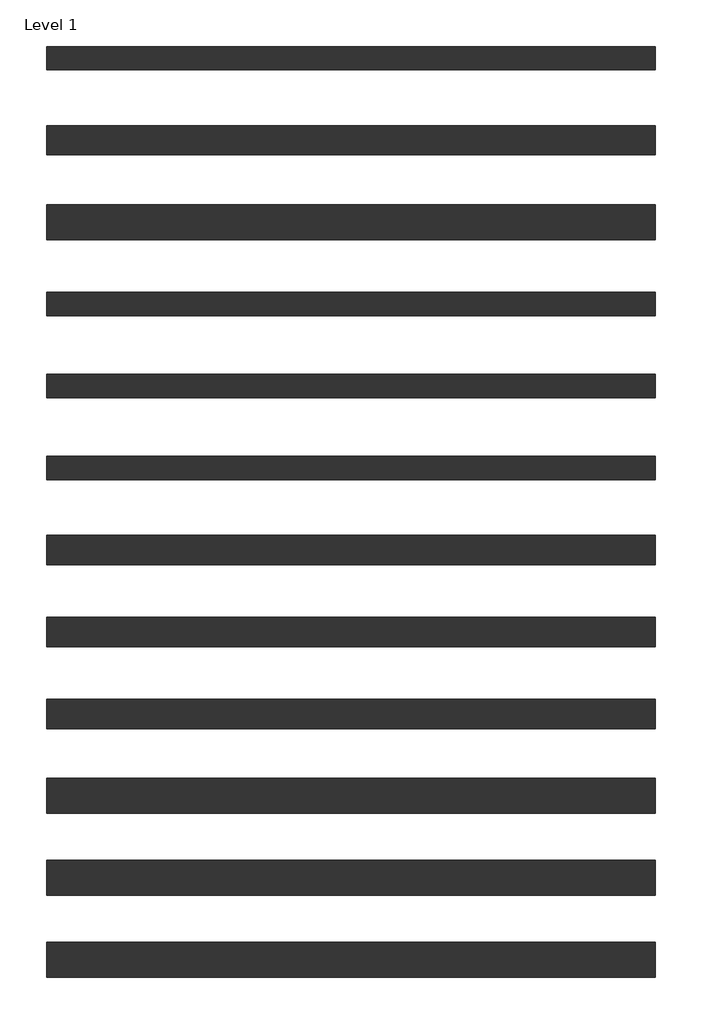
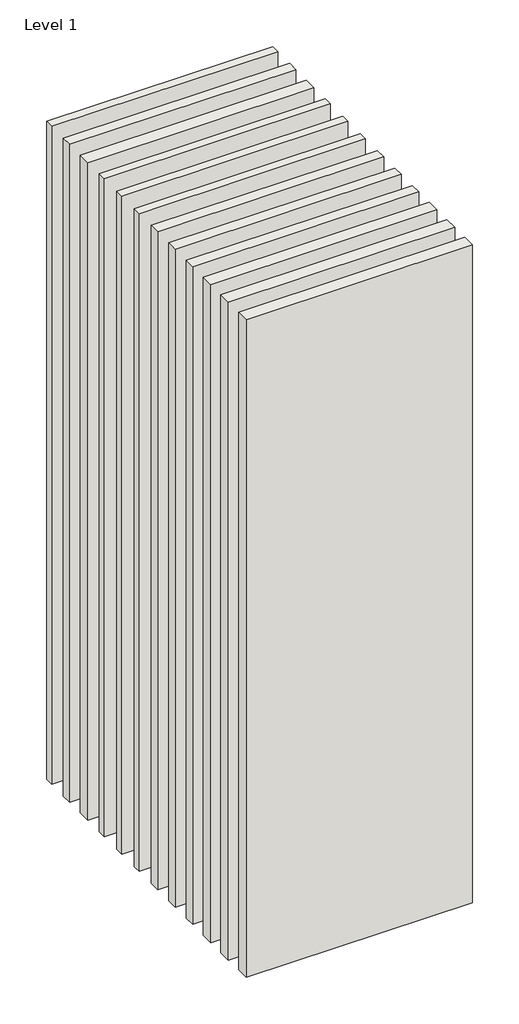
# One storey: 12 walls.
"""IFC4 building model written with IfcOpenShell, lengths in millimetres."""

import ifcopenshell
import ifcopenshell.guid

model = None  # the IFC model being written
_history = None  # IfcOwnerHistory: only IFC2X3 demands one
_inside = {}  # id of a spatial element -> (the spatial element, [elements in it])
_under = {}  # id of a project, library or spatial element -> (it, [spatial elements below it])
_declared = {}  # id of a project -> (the project, [libraries it declares])
_typed = {}  # id of a type object -> (the type object, [elements of that type])
_made_of = {}  # id of a material, layer set ... -> (it, [elements and type objects made of it])


def new_model(schema):
    """Start an empty IFC model of exactly this schema.

    Asked for "IFC4X3", IfcOpenShell would pick the latest addendum, in which some entities
    have other attributes; the version numbers below select the first issue.
    IFC2X3 requires an IfcOwnerHistory on every rooted entity: one is made here for all.
    """
    global model, _history
    if schema == "IFC4X3":
        model = ifcopenshell.file(schema_version=(4, 3, 0, 0))
    else:
        model = ifcopenshell.file(schema=schema)
    _inside.clear()
    _under.clear()
    _declared.clear()
    _typed.clear()
    _made_of.clear()
    _history = None
    if model.schema == "IFC2X3":
        org = make("IfcOrganization", Name="unknown")
        user = make(
            "IfcPersonAndOrganization",
            ThePerson=make("IfcPerson", FamilyName="unknown"),
            TheOrganization=org,
        )
        app = make(
            "IfcApplication",
            ApplicationDeveloper=org,
            Version="unknown",
            ApplicationFullName="unknown",
            ApplicationIdentifier="unknown",
        )
        _history = make(
            "IfcOwnerHistory",
            OwningUser=user,
            OwningApplication=app,
            ChangeAction="ADDED",
            CreationDate=0,
        )
    return model


def make(cls, **values):
    """One entity of the class cls with the attributes given. An attribute that is None is left unset."""
    return model.create_entity(
        cls, **{name: value for name, value in values.items() if value is not None}
    )


def rooted(cls, **values):
    """An entity with a GlobalId (a new one), such as an element, a storey or a relation."""
    return make(cls, GlobalId=ifcopenshell.guid.new(), OwnerHistory=_history, **values)


def si_unit(unit_type, name, prefix=None):
    """IfcSIUnit, for example si_unit("LENGTHUNIT", "METRE", prefix="MILLI")."""
    return make("IfcSIUnit", UnitType=unit_type, Prefix=prefix, Name=name)


def assignment(units):
    """IfcUnitAssignment: the units of a project."""
    return None if units is None else make("IfcUnitAssignment", Units=units)


def point(xyz):
    """IfcCartesianPoint."""
    return None if xyz is None else make("IfcCartesianPoint", Coordinates=xyz)


def direction(xyz):
    """IfcDirection."""
    return None if xyz is None else make("IfcDirection", DirectionRatios=xyz)


def frame(location, z_axis=None, x_axis=None):
    """IfcAxis2Placement3D, a coordinate frame: its origin and axes. An axis left out is left unset."""
    return make(
        "IfcAxis2Placement3D",
        Location=point(location),
        Axis=direction(z_axis),
        RefDirection=direction(x_axis),
    )


def origin():
    """The frame at (0, 0, 0) with its axes left unset."""
    return frame((0.0, 0.0, 0.0))


def origin_with_axes():
    """The frame at (0, 0, 0) with the z axis (0, 0, 1) and the x axis (1, 0, 0) written out."""
    return frame((0.0, 0.0, 0.0), z_axis=(0.0, 0.0, 1.0), x_axis=(1.0, 0.0, 0.0))


def place(relative_to, where):
    """IfcLocalPlacement: puts the frame where relative to a parent placement (None: the world)."""
    return make(
        "IfcLocalPlacement", PlacementRelTo=relative_to, RelativePlacement=where
    )


def context(
    kind, dimensions, precision=None, world=None, true_north=None, identifier=None
):
    """IfcGeometricRepresentationContext, for example the 3D "Model" context."""
    return make(
        "IfcGeometricRepresentationContext",
        ContextIdentifier=identifier,
        ContextType=kind,
        CoordinateSpaceDimension=dimensions,
        Precision=precision,
        WorldCoordinateSystem=world,
        TrueNorth=true_north,
    )


def project(units=None, contexts=None):
    """IfcProject with its units and contexts."""
    return rooted(
        "IfcProject",
        Name="project",
        RepresentationContexts=contexts,
        UnitsInContext=assignment(units),
    )


def spatial(cls, under=None, at=None, **own):
    """A site, building, storey or space (cls), placed at a placement, below another one or the project."""
    s = rooted(cls, ObjectPlacement=at, **own)
    if under is not None:
        _under.setdefault(under.id(), (under, []))[1].append(s)
    return s


def polyline(points):
    """IfcPolyline through the points."""
    return make("IfcPolyline", Points=[point(p) for p in points])


def outline(outer, holes=None, kind="AREA"):
    """IfcArbitraryClosedProfileDef: a profile drawn as a closed curve; with holes, ...WithVoids."""
    if holes is None:
        return make("IfcArbitraryClosedProfileDef", ProfileType=kind, OuterCurve=outer)
    return make(
        "IfcArbitraryProfileDefWithVoids",
        ProfileType=kind,
        OuterCurve=outer,
        InnerCurves=holes,
    )


def extrude(swept, where, along, depth):
    """IfcExtrudedAreaSolid: the profile swept, set in the frame where, extruded along a direction by depth."""
    return make(
        "IfcExtrudedAreaSolid",
        SweptArea=swept,
        Position=where,
        ExtrudedDirection=direction(along),
        Depth=depth,
    )


def shape(context_of_items, identifier, shape_type, items):
    """IfcShapeRepresentation: the items that make up one representation, for example the "Body"."""
    return make(
        "IfcShapeRepresentation",
        ContextOfItems=context_of_items,
        RepresentationIdentifier=identifier,
        RepresentationType=shape_type,
        Items=items,
    )


def made_of(thing, what):
    """Note that an element or type object is made of a material, layer set ...; save() writes the relation."""
    if what is not None:
        _made_of.setdefault(what.id(), (what, []))[1].append(thing)
    return thing


def element(
    cls,
    number,
    at=None,
    inside=None,
    cuts=None,
    type_object=None,
    material=None,
    context=None,
    identifier="Body",
    shape_type=None,
    held_by="IfcProductDefinitionShape",
    body=None,
    shapes=None,
    **own,
):
    """One element of the class cls, such as IfcWall. Its Tag is "e" and its number.

    at: its placement. inside: the storey or other place that contains it. cuts: it is an
    opening in that element (IfcRelVoidsElement). A single representation is given by context,
    identifier, shape_type and body (its items); several are given by shapes. held_by: the class
    of the entity that holds the representations. save() writes the other relations.
    """
    e = rooted(cls, Tag="e%d" % number, ObjectPlacement=at, **own)
    if body is not None:
        shapes = [shape(context, identifier, shape_type, body)]
    if shapes is not None:
        e.Representation = make(held_by, Representations=shapes)
    if inside is not None:
        _inside.setdefault(inside.id(), (inside, []))[1].append(e)
    if cuts is not None:
        rooted(
            "IfcRelVoidsElement", RelatingBuildingElement=cuts, RelatedOpeningElement=e
        )
    if type_object is not None:
        _typed.setdefault(type_object.id(), (type_object, []))[1].append(e)
    return made_of(e, material)


def aggregate(whole, parts):
    """IfcRelAggregates: a whole, such as a stair, and the parts it consists of."""
    return rooted("IfcRelAggregates", RelatingObject=whole, RelatedObjects=parts)


def save(model, path):
    """Write the relations noted so far, then the file.

    IfcRelAggregates (storeys below a building ...), IfcRelContainedInSpatialStructure (elements
    in a storey), IfcRelDefinesByType, IfcRelAssociatesMaterial and IfcRelDeclares: one each for
    every whole, place, type object, material and project.
    """
    for whole, parts in _under.values():
        aggregate(whole, parts)
    for where, things in _inside.values():
        rooted(
            "IfcRelContainedInSpatialStructure",
            RelatedElements=things,
            RelatingStructure=where,
        )
    for kind, things in _typed.values():
        rooted("IfcRelDefinesByType", RelatedObjects=things, RelatingType=kind)
    for what, things in _made_of.values():
        rooted("IfcRelAssociatesMaterial", RelatedObjects=things, RelatingMaterial=what)
    for by, libraries in _declared.values():
        rooted("IfcRelDeclares", RelatingContext=by, RelatedDefinitions=libraries)
    model.write(path)


model = new_model("IFC4")

# Units and contexts
model_context = context("Model", 3, world=origin())
ifc_project = project(units=[si_unit("LENGTHUNIT", "METRE", prefix="MILLI")], contexts=[model_context])

# Site, building, storey
site = spatial("IfcSite", under=ifc_project)
building = spatial("IfcBuilding", under=site)
storey = spatial("IfcBuildingStorey", under=building, Name="Level 1", Elevation=0.0)

# Walls
placement = place(None, origin())
element("IfcWall", 1, at=placement, inside=storey, context=model_context, shape_type="SweptSolid", body=[
    extrude(outline(polyline([(-16904.1464237, 3687.5198817), (-19504.1464237, 3687.5198817), (-19504.1464237, 3787.5198817), (-16904.1464237, 3787.5198817), (-16904.1464237, 3687.5198817)])), origin_with_axes(), (0.0, 0.0, 1.0), 8000.0),
])
element("IfcWall", 2, at=placement, inside=storey, context=model_context, shape_type="SweptSolid", body=[
    extrude(outline(polyline([(-16904.1464237, 3325.0198817), (-19504.1464237, 3325.0198817), (-19504.1464237, 3450.0198817), (-16904.1464237, 3450.0198817), (-16904.1464237, 3325.0198817)])), origin_with_axes(), (0.0, 0.0, 1.0), 8000.0),
])
element("IfcWall", 3, at=placement, inside=storey, context=model_context, shape_type="SweptSolid", body=[
    extrude(outline(polyline([(-16904.1464237, 2962.5198817), (-19504.1464237, 2962.5198817), (-19504.1464237, 3112.5198817), (-16904.1464237, 3112.5198817), (-16904.1464237, 2962.5198817)])), origin_with_axes(), (0.0, 0.0, 1.0), 8000.0),
])
element("IfcWall", 4, at=placement, inside=storey, context=model_context, shape_type="SweptSolid", body=[
    extrude(outline(polyline([(-16904.1464237, 2637.5198817), (-19504.1464237, 2637.5198817), (-19504.1464237, 2737.5198817), (-16904.1464237, 2737.5198817), (-16904.1464237, 2637.5198817)])), origin_with_axes(), (0.0, 0.0, 1.0), 8000.0),
])
element("IfcWall", 5, at=placement, inside=storey, context=model_context, shape_type="SweptSolid", body=[
    extrude(outline(polyline([(-16904.1464237, 2287.5198817), (-19504.1464237, 2287.5198817), (-19504.1464237, 2387.5198817), (-16904.1464237, 2387.5198817), (-16904.1464237, 2287.5198817)])), origin_with_axes(), (0.0, 0.0, 1.0), 8000.0),
])
element("IfcWall", 6, at=placement, inside=storey, context=model_context, shape_type="SweptSolid", body=[
    extrude(outline(polyline([(-16904.1464237, 1937.5198817), (-19504.1464237, 1937.5198817), (-19504.1464237, 2037.5198817), (-16904.1464237, 2037.5198817), (-16904.1464237, 1937.5198817)])), origin_with_axes(), (0.0, 0.0, 1.0), 8000.0),
])
element("IfcWall", 7, at=placement, inside=storey, context=model_context, shape_type="SweptSolid", body=[
    extrude(outline(polyline([(-16904.1464237, 1575.0198817), (-19504.1464237, 1575.0198817), (-19504.1464237, 1700.0198817), (-16904.1464237, 1700.0198817), (-16904.1464237, 1575.0198817)])), origin_with_axes(), (0.0, 0.0, 1.0), 8000.0),
])
element("IfcWall", 8, at=placement, inside=storey, context=model_context, shape_type="SweptSolid", body=[
    extrude(outline(polyline([(-16904.1464237, 1225.0198817), (-19504.1464237, 1225.0198817), (-19504.1464237, 1350.0198817), (-16904.1464237, 1350.0198817), (-16904.1464237, 1225.0198817)])), origin_with_axes(), (0.0, 0.0, 1.0), 8000.0),
])
element("IfcWall", 9, at=placement, inside=storey, context=model_context, shape_type="SweptSolid", body=[
    extrude(outline(polyline([(-16904.1464237, 875.0198817), (-19504.1464237, 875.0198817), (-19504.1464237, 1000.0198817), (-16904.1464237, 1000.0198817), (-16904.1464237, 875.0198817)])), origin_with_axes(), (0.0, 0.0, 1.0), 8000.0),
])
element("IfcWall", 10, at=placement, inside=storey, context=model_context, shape_type="SweptSolid", body=[
    extrude(outline(polyline([(-16904.1464237, 512.5198817), (-19504.1464237, 512.5198817), (-19504.1464237, 662.5198817), (-16904.1464237, 662.5198817), (-16904.1464237, 512.5198817)])), origin_with_axes(), (0.0, 0.0, 1.0), 8000.0),
])
element("IfcWall", 11, at=placement, inside=storey, context=model_context, shape_type="SweptSolid", body=[
    extrude(outline(polyline([(-16904.1464237, 162.5198817), (-19504.1464237, 162.5198817), (-19504.1464237, 312.5198817), (-16904.1464237, 312.5198817), (-16904.1464237, 162.5198817)])), origin_with_axes(), (0.0, 0.0, 1.0), 8000.0),
])
element("IfcWall", 12, at=placement, inside=storey, context=model_context, shape_type="SweptSolid", body=[
    extrude(outline(polyline([(-16904.1464237, -187.4801183), (-19504.1464237, -187.4801183), (-19504.1464237, -37.4801183), (-16904.1464237, -37.4801183), (-16904.1464237, -187.4801183)])), origin_with_axes(), (0.0, 0.0, 1.0), 8000.0),
])

save(model, "model.ifc")
